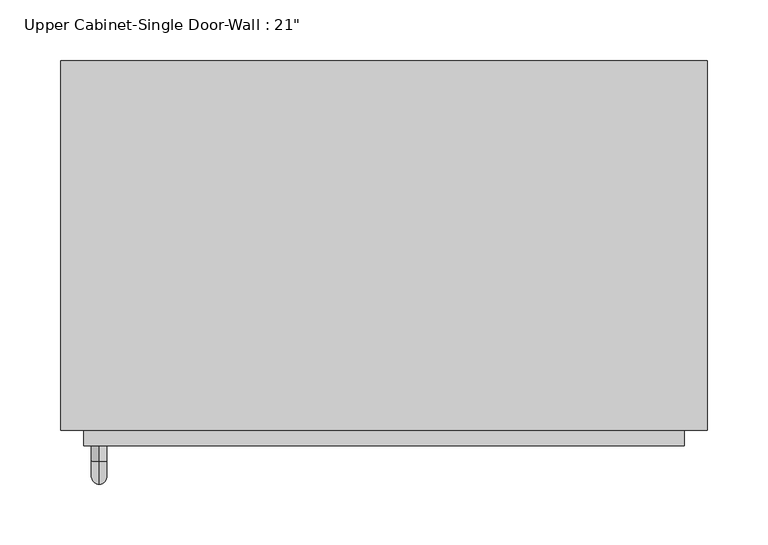
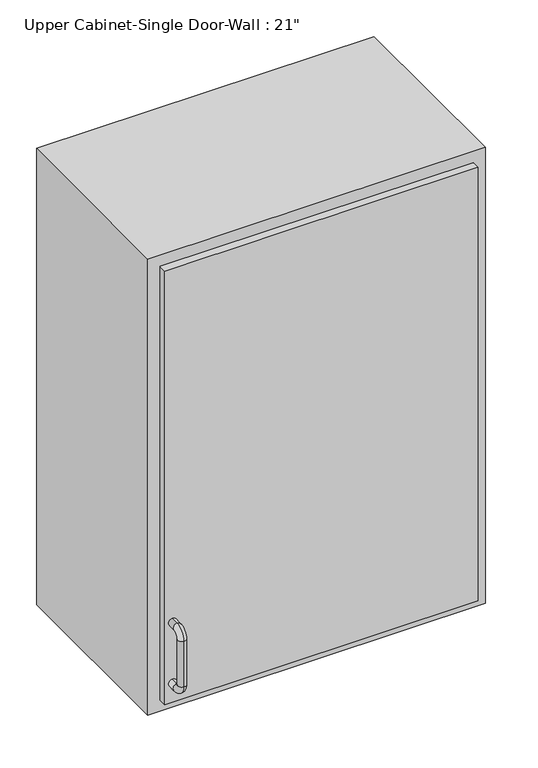
"""IFC4 building model written with IfcOpenShell, lengths in millimetres: furniture geometry."""

from ifc_helpers import new_model, si_unit, point, frame, origin, place, context, project, spatial, polyline, circle_curve, ellipse_curve, trimmed, outline, extrude, faceted_brep, source, transform, mapped, element, save
from ifc_brep_helpers import plane_surface, cylinder_surface, revolved_surface, advanced_brep


def furniture_4597f8c9(model_context):
    return source(origin(), model_context, "Body", "SolidModel", [
        faceted_brep([(-236.9288372, -96.8375, 2133.6), (296.4711628, -96.8375, 2133.6), (296.4711628, -96.8375, 1371.6), (-236.9288372, -96.8375, 1371.6), (-236.9288372, -401.6375, 2133.6), (-236.9288372, -401.6375, 1371.6), (296.4711628, -401.6375, 1371.6), (296.4711628, -401.6375, 2133.6), (-217.8788372, -401.6375, 2114.55), (277.4211628, -401.6375, 2114.55), (277.4211628, -401.6375, 1390.65), (-217.8788372, -401.6375, 1390.65), (-217.8788372, -115.8875, 2114.55), (277.4211628, -115.8875, 2114.55), (277.4211628, -115.8875, 1390.65), (-217.8788372, -115.8875, 1390.65)], [[[0, 1, 2, 3]], [[4, 5, 6, 7], [8, 9, 10, 11]], [[3, 5, 4, 0]], [[2, 6, 5, 3]], [[1, 7, 6, 2]], [[0, 4, 7, 1]], [[8, 12, 13, 9]], [[9, 13, 14, 10]], [[10, 14, 15, 11]], [[11, 15, 12, 8]], [[12, 15, 14, 13]]]),
        advanced_brep(
        [(-205.1788372, -414.3375, 1517.65), (-205.1788372, -414.3375, 1530.35), (-205.1788372, -427.0375, 1530.35), (-205.1788372, -427.0375, 1517.65), (-205.1788372, -446.0875, 1511.3), (-205.1788372, -433.3875, 1511.3), (-205.1788372, -446.0875, 1435.1), (-205.1788372, -433.3875, 1435.1), (-205.1788372, -427.0375, 1416.05), (-205.1788372, -427.0375, 1428.75), (-205.1788372, -414.3375, 1428.75), (-205.1788372, -414.3375, 1416.05)],
        [
            (0, 1, circle_curve(frame((-205.1788372, -414.3375, 1524.0), z_axis=(0.0, 1.0, 0.0), x_axis=(0.0, 0.0, 1.0)), 6.35)),
            (1, 0, circle_curve(frame((-205.1788372, -414.3375, 1524.0), z_axis=(0.0, 1.0, 0.0), x_axis=(0.0, 0.0, 1.0)), 6.35)),
            (1, 2),
            (2, 3, circle_curve(frame((-205.1788372, -427.0375, 1524.0), z_axis=(0.0, 1.0, 0.0), x_axis=(0.0, 0.0, 1.0)), 6.35)),
            (3, 0),
            (3, 2, circle_curve(frame((-205.1788372, -427.0375, 1524.0), z_axis=(0.0, 1.0, 0.0), x_axis=(0.0, 0.0, 1.0)), 6.35)),
            (4, 5, circle_curve(frame((-205.1788372, -439.7375, 1511.3), z_axis=(0.0, 0.0, 1.0), x_axis=(0.0, -1.0, 0.0)), 6.35)),
            (5, 3, circle_curve(frame((-205.1788372, -427.0375, 1511.3), z_axis=(-1.0, 0.0, 0.0), x_axis=(0.0, 0.0, 1.0)), 6.35)),
            (2, 4, circle_curve(frame((-205.1788372, -427.0375, 1511.3), z_axis=(1.0, 0.0, 0.0), x_axis=(0.0, 0.0, 1.0)), 19.05)),
            (5, 4, circle_curve(frame((-205.1788372, -439.7375, 1511.3), z_axis=(0.0, 0.0, 1.0), x_axis=(0.0, -1.0, 0.0)), 6.35)),
            (4, 6),
            (6, 7, circle_curve(frame((-205.1788372, -439.7375, 1435.1), z_axis=(0.0, 0.0, 1.0), x_axis=(0.0, -1.0, 0.0)), 6.35)),
            (7, 5),
            (7, 6, circle_curve(frame((-205.1788372, -439.7375, 1435.1), z_axis=(0.0, 0.0, 1.0), x_axis=(0.0, -1.0, 0.0)), 6.35)),
            (8, 9, circle_curve(frame((-205.1788372, -427.0375, 1422.4), z_axis=(0.0, -1.0, 0.0), x_axis=(0.0, 0.0, -1.0)), 6.35)),
            (9, 7, circle_curve(frame((-205.1788372, -427.0375, 1435.1), z_axis=(-1.0, 0.0, 0.0), x_axis=(0.0, -1.0, 0.0)), 6.35)),
            (6, 8, circle_curve(frame((-205.1788372, -427.0375, 1435.1), z_axis=(1.0, 0.0, 0.0), x_axis=(0.0, -1.0, 0.0)), 19.05)),
            (9, 8, circle_curve(frame((-205.1788372, -427.0375, 1422.4), z_axis=(0.0, -1.0, 0.0), x_axis=(0.0, 0.0, -1.0)), 6.35)),
            (10, 11, circle_curve(frame((-205.1788372, -414.3375, 1422.4), z_axis=(0.0, 1.0, 0.0), x_axis=(0.0, 0.0, -1.0)), 6.35)),
            (11, 10, circle_curve(frame((-205.1788372, -414.3375, 1422.4), z_axis=(0.0, 1.0, 0.0), x_axis=(0.0, 0.0, -1.0)), 6.35)),
            (8, 11),
            (10, 9),
        ],
        [
            plane_surface(frame((-211.5288372, -414.3375, 1524.0), z_axis=(0.0, 1.0, 0.0), x_axis=(0.0, 0.0, 1.0))),
            cylinder_surface(frame((-205.1788372, -414.3375, 1524.0), z_axis=(0.0, 1.0, 0.0), x_axis=(0.0, 0.0, 1.0)), 6.35),
            revolved_surface(trimmed(ellipse_curve(frame((-205.1788372, -427.0375, 1524.0), z_axis=(0.0, -1.0, 0.0), x_axis=(0.0, 0.0, 1.0)), 6.35, 6.35), [point((-205.1788372, -427.0375, 1517.65))], [point((-205.1788372, -427.0375, 1530.35))], True, "CARTESIAN"), (-205.1788372, -427.0375, 1511.3), (-1.0, 0.0, 0.0)),
            revolved_surface(trimmed(ellipse_curve(frame((-205.1788372, -427.0375, 1524.0), z_axis=(0.0, -1.0, 0.0), x_axis=(0.0, 0.0, 1.0)), 6.35, 6.35), [point((-205.1788372, -427.0375, 1530.35))], [point((-205.1788372, -427.0375, 1517.65))], True, "CARTESIAN"), (-205.1788372, -427.0375, 1511.3), (-1.0, 0.0, 0.0)),
            cylinder_surface(frame((-205.1788372, -439.7375, 1511.3), z_axis=(0.0, 0.0, 1.0), x_axis=(0.0, -1.0, 0.0)), 6.35),
            revolved_surface(trimmed(ellipse_curve(frame((-205.1788372, -439.7375, 1435.1), z_axis=(0.0, 0.0, -1.0), x_axis=(0.0, -1.0, 0.0)), 6.35, 6.35), [point((-205.1788372, -433.3875, 1435.1))], [point((-205.1788372, -446.0875, 1435.1))], True, "CARTESIAN"), (-205.1788372, -427.0375, 1435.1), (-1.0, 0.0, 0.0)),
            revolved_surface(trimmed(ellipse_curve(frame((-205.1788372, -439.7375, 1435.1), z_axis=(0.0, 0.0, -1.0), x_axis=(0.0, -1.0, 0.0)), 6.35, 6.35), [point((-205.1788372, -446.0875, 1435.1))], [point((-205.1788372, -433.3875, 1435.1))], True, "CARTESIAN"), (-205.1788372, -427.0375, 1435.1), (-1.0, 0.0, 0.0)),
            plane_surface(frame((-211.5288372, -414.3375, 1422.4), z_axis=(0.0, 1.0, 0.0), x_axis=(0.0, 0.0, -1.0))),
            cylinder_surface(frame((-205.1788372, -427.0375, 1422.4), z_axis=(0.0, -1.0, 0.0), x_axis=(0.0, 0.0, -1.0)), 6.35),
        ],
        [
            (0, [[1, 2]]),
            (1, [[3, 4, 5, -2]]),
            (1, [[-5, 6, -3, -1]]),
            (2, [[7, 8, -4, 9]]),
            (3, [[10, -9, -6, -8]]),
            (4, [[11, 12, 13, -7]]),
            (4, [[-13, 14, -11, -10]]),
            (5, [[15, 16, -12, 17]]),
            (6, [[18, -17, -14, -16]]),
            (7, [[19, 20]]),
            (8, [[21, -19, 22, -15]]),
            (8, [[-22, -20, -21, -18]]),
        ],
    ),
        extrude(outline(polyline([(-217.8788372, -414.3375), (-217.8788372, -382.5875), (277.4211628, -382.5875), (277.4211628, -414.3375), (-217.8788372, -414.3375)])), frame((0.0, 0.0, 1390.65), z_axis=(0.0, 0.0, 1.0), x_axis=(1.0, 0.0, 0.0)), (0.0, 0.0, 1.0), 723.9),
    ])


if __name__ == "__main__":
    model = new_model("IFC4")
    model_context = context("Model", 3, world=origin())
    ifc_project = project(units=[si_unit("LENGTHUNIT", "METRE", prefix="MILLI")], contexts=[model_context])
    site = spatial("IfcSite", under=ifc_project)
    building = spatial("IfcBuilding", under=site)
    placement = place(None, origin())
    furniture_shape = furniture_4597f8c9(model_context)
    element("IfcFurniture", 1, ObjectType="Upper Cabinet-Single Door-Wall : 21\"", at=placement, inside=building, context=model_context, shape_type="MappedRepresentation", body=[
        mapped(furniture_shape, transform((0.0, 0.0, 0.0), x_axis=(1.0, 0.0, 0.0), y_axis=(0.0, 1.0, 0.0), z_axis=(0.0, 0.0, 1.0))),
    ])
    save(model, "model.ifc")
